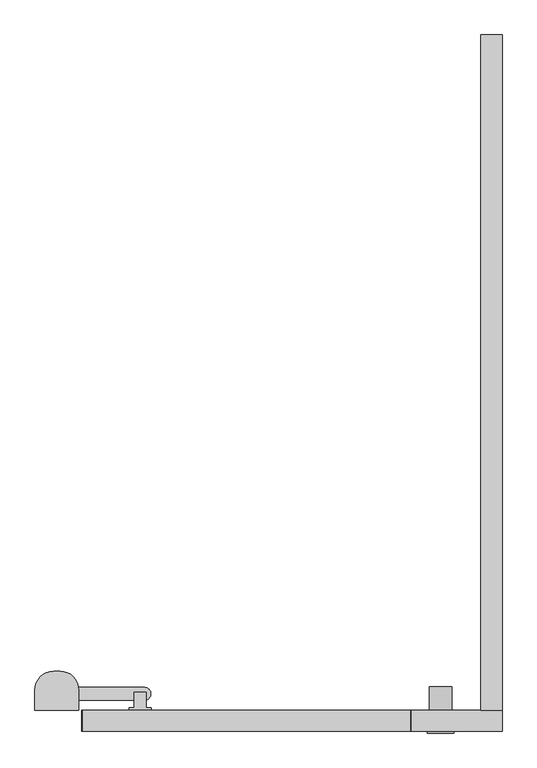
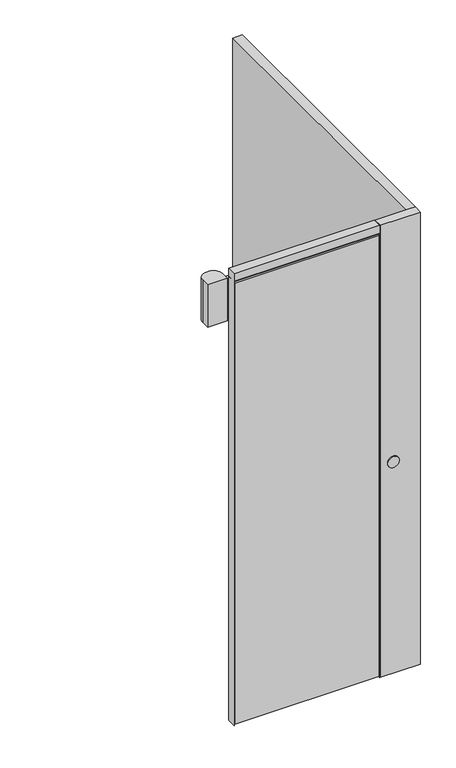
"""IFC4 building model written with IfcOpenShell, lengths in millimetres: proxy geometry."""

import ifcopenshell
import ifcopenshell.guid

model = None  # the IFC model being written
_history = None  # IfcOwnerHistory: only IFC2X3 demands one
_inside = {}  # id of a spatial element -> (the spatial element, [elements in it])
_under = {}  # id of a project, library or spatial element -> (it, [spatial elements below it])
_declared = {}  # id of a project -> (the project, [libraries it declares])
_typed = {}  # id of a type object -> (the type object, [elements of that type])
_made_of = {}  # id of a material, layer set ... -> (it, [elements and type objects made of it])


def new_model(schema):
    """Start an empty IFC model of exactly this schema.

    Asked for "IFC4X3", IfcOpenShell would pick the latest addendum, in which some entities
    have other attributes; the version numbers below select the first issue.
    IFC2X3 requires an IfcOwnerHistory on every rooted entity: one is made here for all.
    """
    global model, _history
    if schema == "IFC4X3":
        model = ifcopenshell.file(schema_version=(4, 3, 0, 0))
    else:
        model = ifcopenshell.file(schema=schema)
    _inside.clear()
    _under.clear()
    _declared.clear()
    _typed.clear()
    _made_of.clear()
    _history = None
    if model.schema == "IFC2X3":
        org = make("IfcOrganization", Name="unknown")
        user = make(
            "IfcPersonAndOrganization",
            ThePerson=make("IfcPerson", FamilyName="unknown"),
            TheOrganization=org,
        )
        app = make(
            "IfcApplication",
            ApplicationDeveloper=org,
            Version="unknown",
            ApplicationFullName="unknown",
            ApplicationIdentifier="unknown",
        )
        _history = make(
            "IfcOwnerHistory",
            OwningUser=user,
            OwningApplication=app,
            ChangeAction="ADDED",
            CreationDate=0,
        )
    return model


def make(cls, **values):
    """One entity of the class cls with the attributes given. An attribute that is None is left unset."""
    return model.create_entity(
        cls, **{name: value for name, value in values.items() if value is not None}
    )


def rooted(cls, **values):
    """An entity with a GlobalId (a new one), such as an element, a storey or a relation."""
    return make(cls, GlobalId=ifcopenshell.guid.new(), OwnerHistory=_history, **values)


def si_unit(unit_type, name, prefix=None):
    """IfcSIUnit, for example si_unit("LENGTHUNIT", "METRE", prefix="MILLI")."""
    return make("IfcSIUnit", UnitType=unit_type, Prefix=prefix, Name=name)


def assignment(units):
    """IfcUnitAssignment: the units of a project."""
    return None if units is None else make("IfcUnitAssignment", Units=units)


def point(xyz):
    """IfcCartesianPoint."""
    return None if xyz is None else make("IfcCartesianPoint", Coordinates=xyz)


def direction(xyz):
    """IfcDirection."""
    return None if xyz is None else make("IfcDirection", DirectionRatios=xyz)


def frame(location, z_axis=None, x_axis=None):
    """IfcAxis2Placement3D, a coordinate frame: its origin and axes. An axis left out is left unset."""
    return make(
        "IfcAxis2Placement3D",
        Location=point(location),
        Axis=direction(z_axis),
        RefDirection=direction(x_axis),
    )


def frame_2d(location, x_axis=None):
    """IfcAxis2Placement2D, a coordinate frame in the plane: its origin and x axis."""
    return make(
        "IfcAxis2Placement2D", Location=point(location), RefDirection=direction(x_axis)
    )


def origin():
    """The frame at (0, 0, 0) with its axes left unset."""
    return frame((0.0, 0.0, 0.0))


def origin_with_axes():
    """The frame at (0, 0, 0) with the z axis (0, 0, 1) and the x axis (1, 0, 0) written out."""
    return frame((0.0, 0.0, 0.0), z_axis=(0.0, 0.0, 1.0), x_axis=(1.0, 0.0, 0.0))


def place(relative_to, where):
    """IfcLocalPlacement: puts the frame where relative to a parent placement (None: the world)."""
    return make(
        "IfcLocalPlacement", PlacementRelTo=relative_to, RelativePlacement=where
    )


def context(
    kind, dimensions, precision=None, world=None, true_north=None, identifier=None
):
    """IfcGeometricRepresentationContext, for example the 3D "Model" context."""
    return make(
        "IfcGeometricRepresentationContext",
        ContextIdentifier=identifier,
        ContextType=kind,
        CoordinateSpaceDimension=dimensions,
        Precision=precision,
        WorldCoordinateSystem=world,
        TrueNorth=true_north,
    )


def project(units=None, contexts=None):
    """IfcProject with its units and contexts."""
    return rooted(
        "IfcProject",
        Name="project",
        RepresentationContexts=contexts,
        UnitsInContext=assignment(units),
    )


def spatial(cls, under=None, at=None, **own):
    """A site, building, storey or space (cls), placed at a placement, below another one or the project."""
    s = rooted(cls, ObjectPlacement=at, **own)
    if under is not None:
        _under.setdefault(under.id(), (under, []))[1].append(s)
    return s


def polyline(points):
    """IfcPolyline through the points."""
    return make("IfcPolyline", Points=[point(p) for p in points])


def circle_curve(where, radius):
    """IfcCircle in the frame where."""
    return make("IfcCircle", Position=where, Radius=radius)


def trimmed(basis, trim1, trim2, sense, master):
    """IfcTrimmedCurve: the piece of a basis curve between two trims."""
    return make(
        "IfcTrimmedCurve",
        BasisCurve=basis,
        Trim1=trim1,
        Trim2=trim2,
        SenseAgreement=sense,
        MasterRepresentation=master,
    )


def segment(curve, same_sense, transition):
    """IfcCompositeCurveSegment."""
    return make(
        "IfcCompositeCurveSegment",
        Transition=transition,
        SameSense=same_sense,
        ParentCurve=curve,
    )


def composite_curve(segments, self_intersect=None):
    """IfcCompositeCurve: segments joined end to end."""
    return make("IfcCompositeCurve", Segments=segments, SelfIntersect=self_intersect)


def outline(outer, holes=None, kind="AREA"):
    """IfcArbitraryClosedProfileDef: a profile drawn as a closed curve; with holes, ...WithVoids."""
    if holes is None:
        return make("IfcArbitraryClosedProfileDef", ProfileType=kind, OuterCurve=outer)
    return make(
        "IfcArbitraryProfileDefWithVoids",
        ProfileType=kind,
        OuterCurve=outer,
        InnerCurves=holes,
    )


def extrude(swept, where, along, depth):
    """IfcExtrudedAreaSolid: the profile swept, set in the frame where, extruded along a direction by depth."""
    return make(
        "IfcExtrudedAreaSolid",
        SweptArea=swept,
        Position=where,
        ExtrudedDirection=direction(along),
        Depth=depth,
    )


def shape(context_of_items, identifier, shape_type, items):
    """IfcShapeRepresentation: the items that make up one representation, for example the "Body"."""
    return make(
        "IfcShapeRepresentation",
        ContextOfItems=context_of_items,
        RepresentationIdentifier=identifier,
        RepresentationType=shape_type,
        Items=items,
    )


def source(mapping_origin, context_of_items, identifier, shape_type, items):
    """IfcRepresentationMap: a shape defined once, which mapped items show again and again."""
    return make(
        "IfcRepresentationMap",
        MappingOrigin=mapping_origin,
        MappedRepresentation=shape(context_of_items, identifier, shape_type, items),
    )


def transform(
    local_origin,
    x_axis=None,
    y_axis=None,
    z_axis=None,
    scale=None,
    scale2=None,
    scale3=None,
    uniform=True,
):
    """IfcCartesianTransformationOperator3D, or its non-uniform kind. x_axis, y_axis, z_axis: its Axis1, 2, 3."""
    if uniform:
        return make(
            "IfcCartesianTransformationOperator3D",
            Axis1=direction(x_axis),
            Axis2=direction(y_axis),
            LocalOrigin=point(local_origin),
            Scale=scale,
            Axis3=direction(z_axis),
        )
    return make(
        "IfcCartesianTransformationOperator3DnonUniform",
        Axis1=direction(x_axis),
        Axis2=direction(y_axis),
        LocalOrigin=point(local_origin),
        Scale=scale,
        Axis3=direction(z_axis),
        Scale2=scale2,
        Scale3=scale3,
    )


def mapped(mapping_source, mapping_target):
    """IfcMappedItem: shows the shape of a source again, moved by a transform."""
    return make(
        "IfcMappedItem", MappingSource=mapping_source, MappingTarget=mapping_target
    )


def made_of(thing, what):
    """Note that an element or type object is made of a material, layer set ...; save() writes the relation."""
    if what is not None:
        _made_of.setdefault(what.id(), (what, []))[1].append(thing)
    return thing


def element(
    cls,
    number,
    at=None,
    inside=None,
    cuts=None,
    type_object=None,
    material=None,
    context=None,
    identifier="Body",
    shape_type=None,
    held_by="IfcProductDefinitionShape",
    body=None,
    shapes=None,
    **own,
):
    """One element of the class cls, such as IfcWall. Its Tag is "e" and its number.

    at: its placement. inside: the storey or other place that contains it. cuts: it is an
    opening in that element (IfcRelVoidsElement). A single representation is given by context,
    identifier, shape_type and body (its items); several are given by shapes. held_by: the class
    of the entity that holds the representations. save() writes the other relations.
    """
    e = rooted(cls, Tag="e%d" % number, ObjectPlacement=at, **own)
    if body is not None:
        shapes = [shape(context, identifier, shape_type, body)]
    if shapes is not None:
        e.Representation = make(held_by, Representations=shapes)
    if inside is not None:
        _inside.setdefault(inside.id(), (inside, []))[1].append(e)
    if cuts is not None:
        rooted(
            "IfcRelVoidsElement", RelatingBuildingElement=cuts, RelatedOpeningElement=e
        )
    if type_object is not None:
        _typed.setdefault(type_object.id(), (type_object, []))[1].append(e)
    return made_of(e, material)


def aggregate(whole, parts):
    """IfcRelAggregates: a whole, such as a stair, and the parts it consists of."""
    return rooted("IfcRelAggregates", RelatingObject=whole, RelatedObjects=parts)


def save(model, path):
    """Write the relations noted so far, then the file.

    IfcRelAggregates (storeys below a building ...), IfcRelContainedInSpatialStructure (elements
    in a storey), IfcRelDefinesByType, IfcRelAssociatesMaterial and IfcRelDeclares: one each for
    every whole, place, type object, material and project.
    """
    for whole, parts in _under.values():
        aggregate(whole, parts)
    for where, things in _inside.values():
        rooted(
            "IfcRelContainedInSpatialStructure",
            RelatedElements=things,
            RelatingStructure=where,
        )
    for kind, things in _typed.values():
        rooted("IfcRelDefinesByType", RelatedObjects=things, RelatingType=kind)
    for what, things in _made_of.values():
        rooted("IfcRelAssociatesMaterial", RelatedObjects=things, RelatingMaterial=what)
    for by, libraries in _declared.values():
        rooted("IfcRelDeclares", RelatingContext=by, RelatedDefinitions=libraries)
    model.write(path)


def specialty_equipment_86d9e8be(model_context):
    return source(origin(), model_context, "Body", "SweptSolid", [
        extrude(outline(polyline([(-268.312138, 42.0), (-311.312138, 42.0), (-311.312138, 47.0), (-301.312138, 47.0), (-301.312138, 77.9983508), (-278.312138, 77.9983508), (-278.312138, 47.0), (-268.312138, 47.0), (-268.312138, 42.0)])), frame((0.0, 0.0, 2067.5), z_axis=(0.0, 0.0, 1.0), x_axis=(1.0, 0.0, 0.0)), (0.0, 0.0, 1.0), 18.0),
        extrude(outline(composite_curve([segment(trimmed(circle_curve(frame_2d((-448.5, 82.0)), 37.0), [point((-411.5, 82.0))], [point((-411.8393944, 87.0))], True, "CARTESIAN"), True, "CONTINUOUS"), segment(polyline([(-411.8393944, 87.0), (-280.5, 87.0)]), True, "CONTINUOUS"), segment(trimmed(circle_curve(frame_2d((-280.5, 75.0)), 12.0), [point((-280.5, 87.0))], [point((-268.5, 75.0))], False, "CARTESIAN"), True, "CONTINUOUS"), segment(polyline([(-268.5, 75.0), (-268.5, 74.0)]), True, "CONTINUOUS"), segment(trimmed(circle_curve(frame_2d((-280.5, 74.0)), 12.0), [point((-268.5, 74.0))], [point((-280.5, 62.0))], False, "CARTESIAN"), True, "CONTINUOUS"), segment(polyline([(-280.5, 62.0), (-411.5, 62.0), (-411.5, 82.0)]), True, "CONTINUOUS")], self_intersect=False)), frame((0.0, 0.0, 2057.5), z_axis=(0.0, 0.0, 1.0), x_axis=(1.0, 0.0, 0.0)), (0.0, 0.0, 1.0), 10.0),
        extrude(outline(composite_curve([segment(polyline([(-411.5, 42.0), (-498.5, 42.0), (-498.5, 82.0)]), True, "CONTINUOUS"), segment(trimmed(circle_curve(frame_2d((-461.5, 82.0)), 37.0), [point((-498.5, 82.0))], [point((-461.5, 119.0))], False, "CARTESIAN"), True, "CONTINUOUS"), segment(polyline([(-461.5, 119.0), (-448.5, 119.0)]), True, "CONTINUOUS"), segment(trimmed(circle_curve(frame_2d((-448.5, 82.0)), 37.0), [point((-448.5, 119.0))], [point((-411.5, 82.0))], False, "CARTESIAN"), True, "CONTINUOUS"), segment(polyline([(-411.5, 82.0), (-411.5, 42.0)]), True, "CONTINUOUS")], self_intersect=False)), frame((0.0, 0.0, 1890.5), z_axis=(0.0, 0.0, 1.0), x_axis=(1.0, 0.0, 0.0)), (0.0, 0.0, 1.0), 200.0),
        extrude(outline(polyline([(246.0, 0.0), (-404.0, 0.0), (-404.0, 42.0), (246.0, 42.0), (246.0, 0.0)])), frame((0.0, 0.0, 2098.0), z_axis=(0.0, 0.0, 1.0), x_axis=(1.0, 0.0, 0.0)), (0.0, 0.0, 1.0), 1.3),
        extrude(outline(polyline([(246.0, 0.0), (-404.0, 0.0), (-404.0, 42.0), (246.0, 42.0), (246.0, 0.0)])), frame((0.0, 0.0, 2099.3), z_axis=(0.0, 0.0, 1.0), x_axis=(1.0, 0.0, 0.0)), (0.0, 0.0, 1.0), 36.7),
        extrude(outline(polyline([(-402.7, 42.0), (-402.7, 0.0), (-404.0, 0.0), (-404.0, 42.0), (-402.7, 42.0)])), frame((0.0, 0.0, 7.5), z_axis=(0.0, 0.0, 1.0), x_axis=(1.0, 0.0, 0.0)), (0.0, 0.0, 1.0), 2083.0),
        extrude(outline(polyline([(244.7, 42.0), (246.0, 42.0), (246.0, 0.0), (244.7, 0.0), (244.7, 42.0)])), frame((0.0, 0.0, 7.5), z_axis=(0.0, 0.0, 1.0), x_axis=(1.0, 0.0, 0.0)), (0.0, 0.0, 1.0), 2083.0),
        extrude(outline(polyline([(244.7, 42.0), (244.7, 0.0), (-402.7, 0.0), (-402.7, 42.0), (244.7, 42.0)])), frame((0.0, 0.0, 7.5), z_axis=(0.0, 0.0, 1.0), x_axis=(1.0, 0.0, 0.0)), (0.0, 0.0, 1.0), 2083.0),
        extrude(outline(polyline([(-405.3, 42.0), (-404.0, 42.0), (-404.0, 0.0), (-405.3, 0.0), (-405.3, 42.0)])), origin_with_axes(), (0.0, 0.0, 1.0), 2136.0),
        extrude(outline(polyline([(247.3, 42.0), (247.3, 0.0), (246.0, 0.0), (246.0, 42.0), (247.3, 42.0)])), origin_with_axes(), (0.0, 0.0, 1.0), 2136.0),
        extrude(outline(composite_curve([segment(trimmed(circle_curve(frame_2d((1000.0, 306.0)), 22.5), [point((1000.0, 283.5))], [point((1000.0, 328.5))], False, "CARTESIAN"), True, "CONTINUOUS"), segment(trimmed(circle_curve(frame_2d((1000.0, 306.0)), 22.5), [point((1000.0, 328.5))], [point((1000.0, 283.5))], False, "CARTESIAN"), True, "CONTINUOUS")], self_intersect=False)), frame((0.0, 42.0, 0.0), z_axis=(0.0, 1.0, 0.0), x_axis=(0.0, 0.0, 1.0)), (0.0, 0.0, 1.0), 47.0),
        extrude(outline(composite_curve([segment(trimmed(circle_curve(frame_2d((1000.0, 306.0)), 26.0), [point((1000.0, 280.0))], [point((1000.0, 332.0))], False, "CARTESIAN"), True, "CONTINUOUS"), segment(trimmed(circle_curve(frame_2d((1000.0, 306.0)), 26.0), [point((1000.0, 332.0))], [point((1000.0, 280.0))], False, "CARTESIAN"), True, "CONTINUOUS")], self_intersect=False)), frame((0.0, -3.0, 0.0), z_axis=(0.0, 1.0, 0.0), x_axis=(0.0, 0.0, 1.0)), (0.0, 0.0, 1.0), 3.0),
        extrude(outline(polyline([(386.0, 42.0), (386.0, 1380.0), (428.0, 1380.0), (428.0, 42.0), (386.0, 42.0)])), origin_with_axes(), (0.0, 0.0, 1.0), 2136.0),
        extrude(outline(polyline([(428.0, 0.0), (247.3, 0.0), (247.3, 42.0), (428.0, 42.0), (428.0, 0.0)])), origin_with_axes(), (0.0, 0.0, 1.0), 2136.0),
    ])


if __name__ == "__main__":
    model = new_model("IFC4")
    model_context = context("Model", 3, world=origin())
    ifc_project = project(units=[si_unit("LENGTHUNIT", "METRE", prefix="MILLI")], contexts=[model_context])
    site = spatial("IfcSite", under=ifc_project)
    building = spatial("IfcBuilding", under=site)
    placement = place(None, origin())
    specialty_equipment_shape = specialty_equipment_86d9e8be(model_context)
    element("IfcBuildingElementProxy", 1, Name="Specialty Equipment", at=placement, inside=building, context=model_context, shape_type="MappedRepresentation", body=[
        mapped(specialty_equipment_shape, transform((0.0, 0.0, 0.0), x_axis=(1.0, 0.0, 0.0), y_axis=(0.0, 1.0, 0.0), z_axis=(0.0, 0.0, 1.0))),
    ])
    save(model, "model.ifc")
